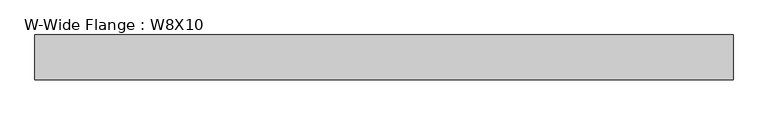
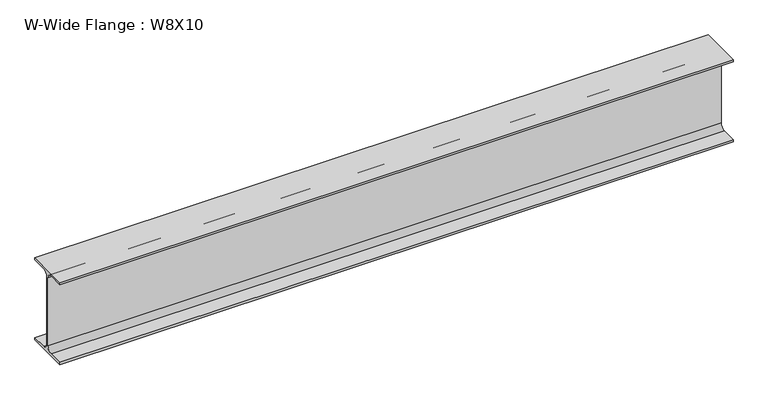
"""IFC4 building model written with IfcOpenShell, lengths in millimetres: beam geometry, W-Wide Flange : W8X10."""

import ifcopenshell
import ifcopenshell.guid

model = None  # the IFC model being written
_history = None  # IfcOwnerHistory: only IFC2X3 demands one
_inside = {}  # id of a spatial element -> (the spatial element, [elements in it])
_under = {}  # id of a project, library or spatial element -> (it, [spatial elements below it])
_declared = {}  # id of a project -> (the project, [libraries it declares])
_typed = {}  # id of a type object -> (the type object, [elements of that type])
_made_of = {}  # id of a material, layer set ... -> (it, [elements and type objects made of it])


def new_model(schema):
    """Start an empty IFC model of exactly this schema.

    Asked for "IFC4X3", IfcOpenShell would pick the latest addendum, in which some entities
    have other attributes; the version numbers below select the first issue.
    IFC2X3 requires an IfcOwnerHistory on every rooted entity: one is made here for all.
    """
    global model, _history
    if schema == "IFC4X3":
        model = ifcopenshell.file(schema_version=(4, 3, 0, 0))
    else:
        model = ifcopenshell.file(schema=schema)
    _inside.clear()
    _under.clear()
    _declared.clear()
    _typed.clear()
    _made_of.clear()
    _history = None
    if model.schema == "IFC2X3":
        org = make("IfcOrganization", Name="unknown")
        user = make(
            "IfcPersonAndOrganization",
            ThePerson=make("IfcPerson", FamilyName="unknown"),
            TheOrganization=org,
        )
        app = make(
            "IfcApplication",
            ApplicationDeveloper=org,
            Version="unknown",
            ApplicationFullName="unknown",
            ApplicationIdentifier="unknown",
        )
        _history = make(
            "IfcOwnerHistory",
            OwningUser=user,
            OwningApplication=app,
            ChangeAction="ADDED",
            CreationDate=0,
        )
    return model


def make(cls, **values):
    """One entity of the class cls with the attributes given. An attribute that is None is left unset."""
    return model.create_entity(
        cls, **{name: value for name, value in values.items() if value is not None}
    )


def rooted(cls, **values):
    """An entity with a GlobalId (a new one), such as an element, a storey or a relation."""
    return make(cls, GlobalId=ifcopenshell.guid.new(), OwnerHistory=_history, **values)


def si_unit(unit_type, name, prefix=None):
    """IfcSIUnit, for example si_unit("LENGTHUNIT", "METRE", prefix="MILLI")."""
    return make("IfcSIUnit", UnitType=unit_type, Prefix=prefix, Name=name)


def assignment(units):
    """IfcUnitAssignment: the units of a project."""
    return None if units is None else make("IfcUnitAssignment", Units=units)


def point(xyz):
    """IfcCartesianPoint."""
    return None if xyz is None else make("IfcCartesianPoint", Coordinates=xyz)


def direction(xyz):
    """IfcDirection."""
    return None if xyz is None else make("IfcDirection", DirectionRatios=xyz)


def frame(location, z_axis=None, x_axis=None):
    """IfcAxis2Placement3D, a coordinate frame: its origin and axes. An axis left out is left unset."""
    return make(
        "IfcAxis2Placement3D",
        Location=point(location),
        Axis=direction(z_axis),
        RefDirection=direction(x_axis),
    )


def frame_2d(location, x_axis=None):
    """IfcAxis2Placement2D, a coordinate frame in the plane: its origin and x axis."""
    return make(
        "IfcAxis2Placement2D", Location=point(location), RefDirection=direction(x_axis)
    )


def origin():
    """The frame at (0, 0, 0) with its axes left unset."""
    return frame((0.0, 0.0, 0.0))


def place(relative_to, where):
    """IfcLocalPlacement: puts the frame where relative to a parent placement (None: the world)."""
    return make(
        "IfcLocalPlacement", PlacementRelTo=relative_to, RelativePlacement=where
    )


def context(
    kind, dimensions, precision=None, world=None, true_north=None, identifier=None
):
    """IfcGeometricRepresentationContext, for example the 3D "Model" context."""
    return make(
        "IfcGeometricRepresentationContext",
        ContextIdentifier=identifier,
        ContextType=kind,
        CoordinateSpaceDimension=dimensions,
        Precision=precision,
        WorldCoordinateSystem=world,
        TrueNorth=true_north,
    )


def project(units=None, contexts=None):
    """IfcProject with its units and contexts."""
    return rooted(
        "IfcProject",
        Name="project",
        RepresentationContexts=contexts,
        UnitsInContext=assignment(units),
    )


def spatial(cls, under=None, at=None, **own):
    """A site, building, storey or space (cls), placed at a placement, below another one or the project."""
    s = rooted(cls, ObjectPlacement=at, **own)
    if under is not None:
        _under.setdefault(under.id(), (under, []))[1].append(s)
    return s


def polyline(points):
    """IfcPolyline through the points."""
    return make("IfcPolyline", Points=[point(p) for p in points])


def circle_curve(where, radius):
    """IfcCircle in the frame where."""
    return make("IfcCircle", Position=where, Radius=radius)


def trimmed(basis, trim1, trim2, sense, master):
    """IfcTrimmedCurve: the piece of a basis curve between two trims."""
    return make(
        "IfcTrimmedCurve",
        BasisCurve=basis,
        Trim1=trim1,
        Trim2=trim2,
        SenseAgreement=sense,
        MasterRepresentation=master,
    )


def segment(curve, same_sense, transition):
    """IfcCompositeCurveSegment."""
    return make(
        "IfcCompositeCurveSegment",
        Transition=transition,
        SameSense=same_sense,
        ParentCurve=curve,
    )


def composite_curve(segments, self_intersect=None):
    """IfcCompositeCurve: segments joined end to end."""
    return make("IfcCompositeCurve", Segments=segments, SelfIntersect=self_intersect)


def outline(outer, holes=None, kind="AREA"):
    """IfcArbitraryClosedProfileDef: a profile drawn as a closed curve; with holes, ...WithVoids."""
    if holes is None:
        return make("IfcArbitraryClosedProfileDef", ProfileType=kind, OuterCurve=outer)
    return make(
        "IfcArbitraryProfileDefWithVoids",
        ProfileType=kind,
        OuterCurve=outer,
        InnerCurves=holes,
    )


def extrude(swept, where, along, depth):
    """IfcExtrudedAreaSolid: the profile swept, set in the frame where, extruded along a direction by depth."""
    return make(
        "IfcExtrudedAreaSolid",
        SweptArea=swept,
        Position=where,
        ExtrudedDirection=direction(along),
        Depth=depth,
    )


def shape(context_of_items, identifier, shape_type, items):
    """IfcShapeRepresentation: the items that make up one representation, for example the "Body"."""
    return make(
        "IfcShapeRepresentation",
        ContextOfItems=context_of_items,
        RepresentationIdentifier=identifier,
        RepresentationType=shape_type,
        Items=items,
    )


def source(mapping_origin, context_of_items, identifier, shape_type, items):
    """IfcRepresentationMap: a shape defined once, which mapped items show again and again."""
    return make(
        "IfcRepresentationMap",
        MappingOrigin=mapping_origin,
        MappedRepresentation=shape(context_of_items, identifier, shape_type, items),
    )


def transform(
    local_origin,
    x_axis=None,
    y_axis=None,
    z_axis=None,
    scale=None,
    scale2=None,
    scale3=None,
    uniform=True,
):
    """IfcCartesianTransformationOperator3D, or its non-uniform kind. x_axis, y_axis, z_axis: its Axis1, 2, 3."""
    if uniform:
        return make(
            "IfcCartesianTransformationOperator3D",
            Axis1=direction(x_axis),
            Axis2=direction(y_axis),
            LocalOrigin=point(local_origin),
            Scale=scale,
            Axis3=direction(z_axis),
        )
    return make(
        "IfcCartesianTransformationOperator3DnonUniform",
        Axis1=direction(x_axis),
        Axis2=direction(y_axis),
        LocalOrigin=point(local_origin),
        Scale=scale,
        Axis3=direction(z_axis),
        Scale2=scale2,
        Scale3=scale3,
    )


def mapped(mapping_source, mapping_target):
    """IfcMappedItem: shows the shape of a source again, moved by a transform."""
    return make(
        "IfcMappedItem", MappingSource=mapping_source, MappingTarget=mapping_target
    )


def made_of(thing, what):
    """Note that an element or type object is made of a material, layer set ...; save() writes the relation."""
    if what is not None:
        _made_of.setdefault(what.id(), (what, []))[1].append(thing)
    return thing


def element(
    cls,
    number,
    at=None,
    inside=None,
    cuts=None,
    type_object=None,
    material=None,
    context=None,
    identifier="Body",
    shape_type=None,
    held_by="IfcProductDefinitionShape",
    body=None,
    shapes=None,
    **own,
):
    """One element of the class cls, such as IfcWall. Its Tag is "e" and its number.

    at: its placement. inside: the storey or other place that contains it. cuts: it is an
    opening in that element (IfcRelVoidsElement). A single representation is given by context,
    identifier, shape_type and body (its items); several are given by shapes. held_by: the class
    of the entity that holds the representations. save() writes the other relations.
    """
    e = rooted(cls, Tag="e%d" % number, ObjectPlacement=at, **own)
    if body is not None:
        shapes = [shape(context, identifier, shape_type, body)]
    if shapes is not None:
        e.Representation = make(held_by, Representations=shapes)
    if inside is not None:
        _inside.setdefault(inside.id(), (inside, []))[1].append(e)
    if cuts is not None:
        rooted(
            "IfcRelVoidsElement", RelatingBuildingElement=cuts, RelatedOpeningElement=e
        )
    if type_object is not None:
        _typed.setdefault(type_object.id(), (type_object, []))[1].append(e)
    return made_of(e, material)


def aggregate(whole, parts):
    """IfcRelAggregates: a whole, such as a stair, and the parts it consists of."""
    return rooted("IfcRelAggregates", RelatingObject=whole, RelatedObjects=parts)


def save(model, path):
    """Write the relations noted so far, then the file.

    IfcRelAggregates (storeys below a building ...), IfcRelContainedInSpatialStructure (elements
    in a storey), IfcRelDefinesByType, IfcRelAssociatesMaterial and IfcRelDeclares: one each for
    every whole, place, type object, material and project.
    """
    for whole, parts in _under.values():
        aggregate(whole, parts)
    for where, things in _inside.values():
        rooted(
            "IfcRelContainedInSpatialStructure",
            RelatedElements=things,
            RelatingStructure=where,
        )
    for kind, things in _typed.values():
        rooted("IfcRelDefinesByType", RelatedObjects=things, RelatingType=kind)
    for what, things in _made_of.values():
        rooted("IfcRelAssociatesMaterial", RelatedObjects=things, RelatingMaterial=what)
    for by, libraries in _declared.values():
        rooted("IfcRelDeclares", RelatingContext=by, RelatedDefinitions=libraries)
    model.write(path)


def w_wide_flange_w8x10_3c099f7c(model_context):
    return source(origin(), model_context, "Body", "SweptSolid", [
        extrude(outline(composite_curve([segment(polyline([(50.0558594, -95.0515625), (50.0558594, -100.2109375), (-50.0558594, -100.2109375), (-50.0558594, -95.0515625), (-14.4859375, -95.0515625)]), True, "CONTINUOUS"), segment(trimmed(circle_curve(frame_2d((-14.4859375, -82.7484375)), 12.303125), [point((-14.4859375, -95.0515625))], [point((-2.1828125, -82.7484375))], True, "CARTESIAN"), True, "CONTINUOUS"), segment(polyline([(-2.1828125, -82.7484375), (-2.1828125, 82.7484375)]), True, "CONTINUOUS"), segment(trimmed(circle_curve(frame_2d((-14.4859375, 82.7484375)), 12.303125), [point((-2.1828125, 82.7484375))], [point((-14.4859375, 95.0515625))], True, "CARTESIAN"), True, "CONTINUOUS"), segment(polyline([(-14.4859375, 95.0515625), (-50.0558594, 95.0515625), (-50.0558594, 100.2109375), (50.0558594, 100.2109375), (50.0558594, 95.0515625), (14.4859375, 95.0515625)]), True, "CONTINUOUS"), segment(trimmed(circle_curve(frame_2d((14.4859375, 82.7484375)), 12.303125), [point((14.4859375, 95.0515625))], [point((2.1828125, 82.7484375))], True, "CARTESIAN"), True, "CONTINUOUS"), segment(polyline([(2.1828125, 82.7484375), (2.1828125, -82.7484375)]), True, "CONTINUOUS"), segment(trimmed(circle_curve(frame_2d((14.4859375, -82.7484375)), 12.303125), [point((2.1828125, -82.7484375))], [point((14.4859375, -95.0515625))], True, "CARTESIAN"), True, "CONTINUOUS"), segment(polyline([(14.4859375, -95.0515625), (50.0558594, -95.0515625)]), True, "CONTINUOUS")], self_intersect=False)), frame((-719.3359375, 0.0, 0.0), z_axis=(1.0, 0.0, 0.0), x_axis=(0.0, 1.0, 0.0)), (0.0, 0.0, 1.0), 1557.5359375),
    ])


if __name__ == "__main__":
    model = new_model("IFC4")
    model_context = context("Model", 3, world=origin())
    ifc_project = project(units=[si_unit("LENGTHUNIT", "METRE", prefix="MILLI")], contexts=[model_context])
    site = spatial("IfcSite", under=ifc_project)
    building = spatial("IfcBuilding", under=site)
    placement = place(None, origin())
    w_wide_flange_w8x10_shape = w_wide_flange_w8x10_3c099f7c(model_context)
    element("IfcBeam", 1, ObjectType="W-Wide Flange : W8X10", at=placement, inside=building, context=model_context, shape_type="MappedRepresentation", body=[
        mapped(w_wide_flange_w8x10_shape, transform((0.0, 0.0, 0.0), x_axis=(1.0, 0.0, 0.0), y_axis=(0.0, 1.0, 0.0), z_axis=(0.0, 0.0, 1.0))),
    ])
    save(model, "model.ifc")
